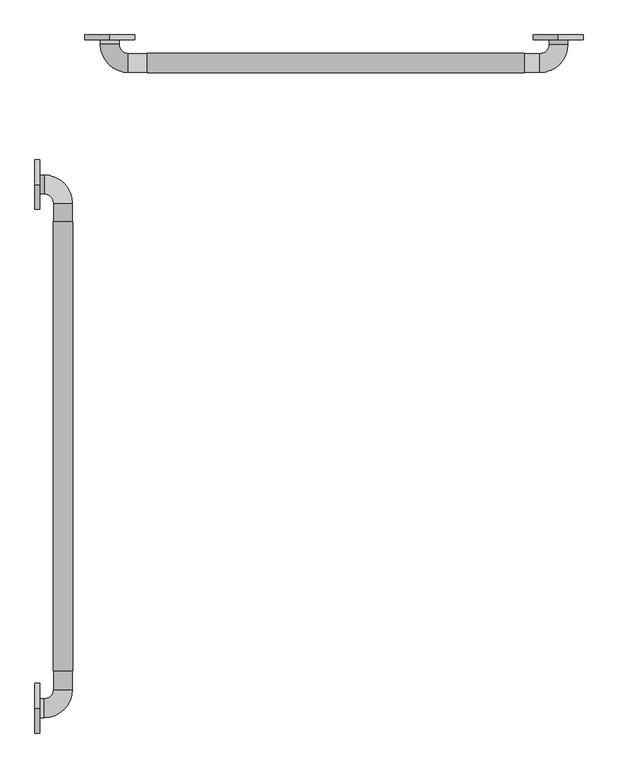
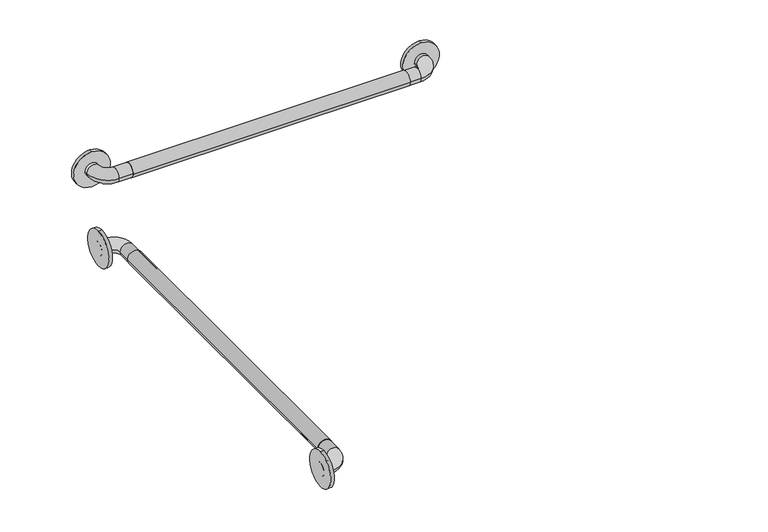
"""IFC4 building model written with IfcOpenShell, lengths in millimetres: proxy geometry."""

from ifc_helpers import new_model, si_unit, point, frame, frame_2d, origin, place, context, project, spatial, circle_curve, ellipse_curve, trimmed, segment, composite_curve, outline, extrude, source, transform, mapped, element, save
from ifc_brep_helpers import plane_surface, cylinder_surface, revolved_surface, advanced_brep


def generic_models_c62c96af(model_context):
    return source(origin(), model_context, "Body", "SolidModel", [
        extrude(outline(composite_curve([segment(trimmed(circle_curve(frame_2d((889.0, 57.15)), 19.84375), [point((889.0, 76.99375))], [point((889.0, 37.30625))], False, "CARTESIAN"), True, "CONTINUOUS"), segment(trimmed(circle_curve(frame_2d((889.0, 57.15)), 19.84375), [point((889.0, 37.30625))], [point((889.0, 76.99375))], False, "CARTESIAN"), True, "CONTINUOUS")], self_intersect=False)), frame((0.0, -1392.2375, 0.0), z_axis=(0.0, 1.0, 0.0), x_axis=(0.0, 0.0, 1.0)), (0.0, 0.0, 1.0), 914.4),
        extrude(outline(composite_curve([segment(trimmed(circle_curve(frame_2d((-153.631573, 889.0)), 19.84375), [point((-133.787823, 889.0))], [point((-173.475323, 889.0))], False, "CARTESIAN"), True, "CONTINUOUS"), segment(trimmed(circle_curve(frame_2d((-153.631573, 889.0)), 19.84375), [point((-173.475323, 889.0))], [point((-133.787823, 889.0))], False, "CARTESIAN"), True, "CONTINUOUS")], self_intersect=False)), frame((228.6, 0.0, 0.0), z_axis=(1.0, 0.0, 0.0), x_axis=(0.0, 1.0, 0.0)), (0.0, 0.0, 1.0), 768.35),
        extrude(outline(composite_curve([segment(trimmed(circle_curve(frame_2d((889.0, 1065.9492842)), 50.8), [point((838.2, 1065.9492842))], [point((939.8, 1065.9492842))], False, "CARTESIAN"), True, "CONTINUOUS"), segment(trimmed(circle_curve(frame_2d((889.0, 1065.9492842)), 50.8), [point((939.8, 1065.9492842))], [point((838.2, 1065.9492842))], False, "CARTESIAN"), True, "CONTINUOUS")], self_intersect=False)), frame((0.0, -106.3625, 0.0), z_axis=(0.0, 1.0, 0.0), x_axis=(0.0, 0.0, 1.0)), (0.0, 0.0, 1.0), 9.525),
        extrude(outline(composite_curve([segment(trimmed(circle_curve(frame_2d((889.0, 152.4)), 50.8), [point((838.2, 152.4))], [point((939.8, 152.4))], False, "CARTESIAN"), True, "CONTINUOUS"), segment(trimmed(circle_curve(frame_2d((889.0, 152.4)), 50.8), [point((939.8, 152.4))], [point((838.2, 152.4))], False, "CARTESIAN"), True, "CONTINUOUS")], self_intersect=False)), frame((0.0, -106.3625, 0.0), z_axis=(0.0, 1.0, 0.0), x_axis=(0.0, 0.0, 1.0)), (0.0, 0.0, 1.0), 9.525),
        extrude(outline(composite_curve([segment(trimmed(circle_curve(frame_2d((-401.6375, 889.0)), 50.8), [point((-401.6375, 838.2))], [point((-401.6375, 939.8))], False, "CARTESIAN"), True, "CONTINUOUS"), segment(trimmed(circle_curve(frame_2d((-401.6375, 889.0)), 50.8), [point((-401.6375, 939.8))], [point((-401.6375, 838.2))], False, "CARTESIAN"), True, "CONTINUOUS")], self_intersect=False)), frame((0.0, 0.0, 0.0), z_axis=(1.0, 0.0, 0.0), x_axis=(0.0, 1.0, 0.0)), (0.0, 0.0, 1.0), 9.525),
        extrude(outline(composite_curve([segment(trimmed(circle_curve(frame_2d((-1468.4375, 889.0)), 50.8), [point((-1468.4375, 838.2))], [point((-1468.4375, 939.8))], False, "CARTESIAN"), True, "CONTINUOUS"), segment(trimmed(circle_curve(frame_2d((-1468.4375, 889.0)), 50.8), [point((-1468.4375, 939.8))], [point((-1468.4375, 838.2))], False, "CARTESIAN"), True, "CONTINUOUS")], self_intersect=False)), frame((0.0, 0.0, 0.0), z_axis=(1.0, 0.0, 0.0), x_axis=(0.0, 1.0, 0.0)), (0.0, 0.0, 1.0), 9.525),
        advanced_brep(
        [(1085.85, -96.8375, 889.0), (1047.75, -96.8375, 889.0), (1047.75, -115.8875, 889.0), (1085.85, -115.8875, 889.0), (1028.7, -134.9375, 889.0), (1028.7, -173.0375, 889.0), (190.5, -134.9375, 889.0), (190.5, -173.0375, 889.0), (171.45, -115.8875, 889.0), (133.35, -115.8875, 889.0), (133.35, -96.8375, 889.0), (171.45, -96.8375, 889.0)],
        [
            (0, 1, circle_curve(frame((1066.8, -96.8375, 889.0), z_axis=(0.0, 1.0, 0.0), x_axis=(-1.0, 0.0, 0.0)), 19.05)),
            (1, 0, circle_curve(frame((1066.8, -96.8375, 889.0), z_axis=(0.0, 1.0, 0.0), x_axis=(-1.0, 0.0, 0.0)), 19.05)),
            (1, 2),
            (2, 3, circle_curve(frame((1066.8, -115.8875, 889.0), z_axis=(0.0, 1.0, 0.0), x_axis=(-1.0, 0.0, 0.0)), 19.05)),
            (3, 0),
            (3, 2, circle_curve(frame((1066.8, -115.8875, 889.0), z_axis=(0.0, 1.0, 0.0), x_axis=(-1.0, 0.0, 0.0)), 19.05)),
            (4, 5, circle_curve(frame((1028.7, -153.9875, 889.0), z_axis=(1.0, 0.0, 0.0), x_axis=(0.0, 1.0, 0.0)), 19.05)),
            (5, 3, circle_curve(frame((1028.7, -115.8875, 889.0), z_axis=(0.0, 0.0, 1.0), x_axis=(1.0, 0.0, 0.0)), 57.15)),
            (2, 4, circle_curve(frame((1028.7, -115.8875, 889.0), z_axis=(0.0, 0.0, -1.0), x_axis=(1.0, 0.0, 0.0)), 19.05)),
            (5, 4, circle_curve(frame((1028.7, -153.9875, 889.0), z_axis=(1.0, 0.0, 0.0), x_axis=(0.0, 1.0, 0.0)), 19.05)),
            (4, 6),
            (6, 7, circle_curve(frame((190.5, -153.9875, 889.0), z_axis=(1.0, 0.0, 0.0), x_axis=(0.0, 1.0, 0.0)), 19.05)),
            (7, 5),
            (7, 6, circle_curve(frame((190.5, -153.9875, 889.0), z_axis=(1.0, 0.0, 0.0), x_axis=(0.0, 1.0, 0.0)), 19.05)),
            (8, 9, circle_curve(frame((152.4, -115.8875, 889.0), z_axis=(0.0, -1.0, 0.0), x_axis=(1.0, 0.0, 0.0)), 19.05)),
            (9, 7, circle_curve(frame((190.5, -115.8875, 889.0), z_axis=(0.0, 0.0, 1.0), x_axis=(0.0, -1.0, 0.0)), 57.15)),
            (6, 8, circle_curve(frame((190.5, -115.8875, 889.0), z_axis=(0.0, 0.0, -1.0), x_axis=(0.0, -1.0, 0.0)), 19.05)),
            (9, 8, circle_curve(frame((152.4, -115.8875, 889.0), z_axis=(0.0, -1.0, 0.0), x_axis=(1.0, 0.0, 0.0)), 19.05)),
            (10, 11, circle_curve(frame((152.4, -96.8375, 889.0), z_axis=(0.0, 1.0, 0.0), x_axis=(1.0, 0.0, 0.0)), 19.05)),
            (11, 10, circle_curve(frame((152.4, -96.8375, 889.0), z_axis=(0.0, 1.0, 0.0), x_axis=(1.0, 0.0, 0.0)), 19.05)),
            (8, 11),
            (10, 9),
        ],
        [
            plane_surface(frame((1066.8, -96.8375, 889.0), z_axis=(0.0, 1.0, 0.0), x_axis=(0.0, 0.0, 1.0))),
            cylinder_surface(frame((1066.8, -96.8375, 889.0), z_axis=(0.0, 1.0, 0.0), x_axis=(-1.0, 0.0, 0.0)), 19.05),
            revolved_surface(trimmed(ellipse_curve(frame((1066.8, -115.8875, 889.0), z_axis=(0.0, -1.0, 0.0), x_axis=(-1.0, 0.0, 0.0)), 19.05, 19.05), [point((1085.85, -115.8875, 889.0))], [point((1047.75, -115.8875, 889.0))], True, "CARTESIAN"), (1028.7, -115.8875, 889.0), (0.0, 0.0, 1.0)),
            revolved_surface(trimmed(ellipse_curve(frame((1066.8, -115.8875, 889.0), z_axis=(0.0, -1.0, 0.0), x_axis=(-1.0, 0.0, 0.0)), 19.05, 19.05), [point((1047.75, -115.8875, 889.0))], [point((1085.85, -115.8875, 889.0))], True, "CARTESIAN"), (1028.7, -115.8875, 889.0), (0.0, 0.0, 1.0)),
            cylinder_surface(frame((1028.7, -153.9875, 889.0), z_axis=(1.0, 0.0, 0.0), x_axis=(0.0, 1.0, 0.0)), 19.05),
            revolved_surface(trimmed(ellipse_curve(frame((190.5, -153.9875, 889.0), z_axis=(-1.0, 0.0, 0.0), x_axis=(0.0, 1.0, 0.0)), 19.05, 19.05), [point((190.5, -173.0375, 889.0))], [point((190.5, -134.9375, 889.0))], True, "CARTESIAN"), (190.5, -115.8875, 889.0), (0.0, 0.0, 1.0)),
            revolved_surface(trimmed(ellipse_curve(frame((190.5, -153.9875, 889.0), z_axis=(-1.0, 0.0, 0.0), x_axis=(0.0, 1.0, 0.0)), 19.05, 19.05), [point((190.5, -134.9375, 889.0))], [point((190.5, -173.0375, 889.0))], True, "CARTESIAN"), (190.5, -115.8875, 889.0), (0.0, 0.0, 1.0)),
            plane_surface(frame((152.4, -96.8375, 889.0), z_axis=(0.0, 1.0, 0.0), x_axis=(0.0, 0.0, 1.0))),
            cylinder_surface(frame((152.4, -115.8875, 889.0), z_axis=(0.0, -1.0, 0.0), x_axis=(1.0, 0.0, 0.0)), 19.05),
        ],
        [
            (0, [[1, 2]]),
            (1, [[3, 4, 5, -2]]),
            (1, [[-5, 6, -3, -1]]),
            (2, [[7, 8, -4, 9]]),
            (3, [[10, -9, -6, -8]]),
            (4, [[11, 12, 13, -7]]),
            (4, [[-13, 14, -11, -10]]),
            (5, [[15, 16, -12, 17]]),
            (6, [[18, -17, -14, -16]]),
            (7, [[19, 20]]),
            (8, [[21, -19, 22, -15]]),
            (8, [[-22, -20, -21, -18]]),
        ],
    ),
        advanced_brep(
        [(0.0, -382.5875, 889.0), (0.0, -420.6875, 889.0), (19.05, -420.6875, 889.0), (19.05, -382.5875, 889.0), (38.1, -439.7375, 889.0), (76.2, -439.7375, 889.0), (38.1, -1430.3375, 889.0), (76.2, -1430.3375, 889.0), (19.05, -1449.3875, 889.0), (19.05, -1487.4875, 889.0), (0.0, -1487.4875, 889.0), (0.0, -1449.3875, 889.0)],
        [
            (0, 1, circle_curve(frame((0.0, -401.6375, 889.0), z_axis=(-1.0, 0.0, 0.0), x_axis=(0.0, -1.0, 0.0)), 19.05)),
            (1, 0, circle_curve(frame((0.0, -401.6375, 889.0), z_axis=(-1.0, 0.0, 0.0), x_axis=(0.0, -1.0, 0.0)), 19.05)),
            (1, 2),
            (2, 3, circle_curve(frame((19.05, -401.6375, 889.0), z_axis=(-1.0, 0.0, 0.0), x_axis=(0.0, -1.0, 0.0)), 19.05)),
            (3, 0),
            (3, 2, circle_curve(frame((19.05, -401.6375, 889.0), z_axis=(-1.0, 0.0, 0.0), x_axis=(0.0, -1.0, 0.0)), 19.05)),
            (4, 5, circle_curve(frame((57.15, -439.7375, 889.0), z_axis=(0.0, 1.0, 0.0), x_axis=(-1.0, 0.0, 0.0)), 19.05)),
            (5, 3, circle_curve(frame((19.05, -439.7375, 889.0), z_axis=(0.0, 0.0, 1.0), x_axis=(0.0, 1.0, 0.0)), 57.15)),
            (2, 4, circle_curve(frame((19.05, -439.7375, 889.0), z_axis=(0.0, 0.0, -1.0), x_axis=(0.0, 1.0, 0.0)), 19.05)),
            (5, 4, circle_curve(frame((57.15, -439.7375, 889.0), z_axis=(0.0, 1.0, 0.0), x_axis=(-1.0, 0.0, 0.0)), 19.05)),
            (4, 6),
            (6, 7, circle_curve(frame((57.15, -1430.3375, 889.0), z_axis=(0.0, 1.0, 0.0), x_axis=(-1.0, 0.0, 0.0)), 19.05)),
            (7, 5),
            (7, 6, circle_curve(frame((57.15, -1430.3375, 889.0), z_axis=(0.0, 1.0, 0.0), x_axis=(-1.0, 0.0, 0.0)), 19.05)),
            (8, 9, circle_curve(frame((19.05, -1468.4375, 889.0), z_axis=(1.0, 0.0, 0.0), x_axis=(0.0, 1.0, 0.0)), 19.05)),
            (9, 7, circle_curve(frame((19.05, -1430.3375, 889.0), z_axis=(0.0, 0.0, 1.0), x_axis=(1.0, 0.0, 0.0)), 57.15)),
            (6, 8, circle_curve(frame((19.05, -1430.3375, 889.0), z_axis=(0.0, 0.0, -1.0), x_axis=(1.0, 0.0, 0.0)), 19.05)),
            (9, 8, circle_curve(frame((19.05, -1468.4375, 889.0), z_axis=(1.0, 0.0, 0.0), x_axis=(0.0, 1.0, 0.0)), 19.05)),
            (10, 11, circle_curve(frame((0.0, -1468.4375, 889.0), z_axis=(-1.0, 0.0, 0.0), x_axis=(0.0, 1.0, 0.0)), 19.05)),
            (11, 10, circle_curve(frame((0.0, -1468.4375, 889.0), z_axis=(-1.0, 0.0, 0.0), x_axis=(0.0, 1.0, 0.0)), 19.05)),
            (8, 11),
            (10, 9),
        ],
        [
            plane_surface(frame((0.0, -401.6375, 889.0), z_axis=(-1.0, 0.0, 0.0), x_axis=(0.0, 0.0, 1.0))),
            cylinder_surface(frame((0.0, -401.6375, 889.0), z_axis=(-1.0, 0.0, 0.0), x_axis=(0.0, -1.0, 0.0)), 19.05),
            revolved_surface(trimmed(ellipse_curve(frame((19.05, -401.6375, 889.0), z_axis=(1.0, 0.0, 0.0), x_axis=(0.0, -1.0, 0.0)), 19.05, 19.05), [point((19.05, -382.5875, 889.0))], [point((19.05, -420.6875, 889.0))], True, "CARTESIAN"), (19.05, -439.7375, 889.0), (0.0, 0.0, 1.0)),
            revolved_surface(trimmed(ellipse_curve(frame((19.05, -401.6375, 889.0), z_axis=(1.0, 0.0, 0.0), x_axis=(0.0, -1.0, 0.0)), 19.05, 19.05), [point((19.05, -420.6875, 889.0))], [point((19.05, -382.5875, 889.0))], True, "CARTESIAN"), (19.05, -439.7375, 889.0), (0.0, 0.0, 1.0)),
            cylinder_surface(frame((57.15, -439.7375, 889.0), z_axis=(0.0, 1.0, 0.0), x_axis=(-1.0, 0.0, 0.0)), 19.05),
            revolved_surface(trimmed(ellipse_curve(frame((57.15, -1430.3375, 889.0), z_axis=(0.0, -1.0, 0.0), x_axis=(-1.0, 0.0, 0.0)), 19.05, 19.05), [point((76.2, -1430.3375, 889.0))], [point((38.1, -1430.3375, 889.0))], True, "CARTESIAN"), (19.05, -1430.3375, 889.0), (0.0, 0.0, 1.0)),
            revolved_surface(trimmed(ellipse_curve(frame((57.15, -1430.3375, 889.0), z_axis=(0.0, -1.0, 0.0), x_axis=(-1.0, 0.0, 0.0)), 19.05, 19.05), [point((38.1, -1430.3375, 889.0))], [point((76.2, -1430.3375, 889.0))], True, "CARTESIAN"), (19.05, -1430.3375, 889.0), (0.0, 0.0, 1.0)),
            plane_surface(frame((0.0, -1468.4375, 889.0), z_axis=(-1.0, 0.0, 0.0), x_axis=(0.0, 0.0, 1.0))),
            cylinder_surface(frame((19.05, -1468.4375, 889.0), z_axis=(1.0, 0.0, 0.0), x_axis=(0.0, 1.0, 0.0)), 19.05),
        ],
        [
            (0, [[1, 2]]),
            (1, [[3, 4, 5, -2]]),
            (1, [[-5, 6, -3, -1]]),
            (2, [[7, 8, -4, 9]]),
            (3, [[10, -9, -6, -8]]),
            (4, [[11, 12, 13, -7]]),
            (4, [[-13, 14, -11, -10]]),
            (5, [[15, 16, -12, 17]]),
            (6, [[18, -17, -14, -16]]),
            (7, [[19, 20]]),
            (8, [[21, -19, 22, -15]]),
            (8, [[-22, -20, -21, -18]]),
        ],
    ),
    ])


if __name__ == "__main__":
    model = new_model("IFC4")
    model_context = context("Model", 3, world=origin())
    ifc_project = project(units=[si_unit("LENGTHUNIT", "METRE", prefix="MILLI")], contexts=[model_context])
    site = spatial("IfcSite", under=ifc_project)
    building = spatial("IfcBuilding", under=site)
    placement = place(None, origin())
    generic_models_shape = generic_models_c62c96af(model_context)
    element("IfcBuildingElementProxy", 1, Name="Generic Models", at=placement, inside=building, context=model_context, shape_type="MappedRepresentation", body=[
        mapped(generic_models_shape, transform((0.0, 0.0, 0.0), x_axis=(1.0, 0.0, 0.0), y_axis=(0.0, 1.0, 0.0), z_axis=(0.0, 0.0, 1.0))),
    ])
    save(model, "model.ifc")
